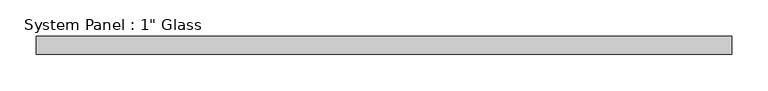
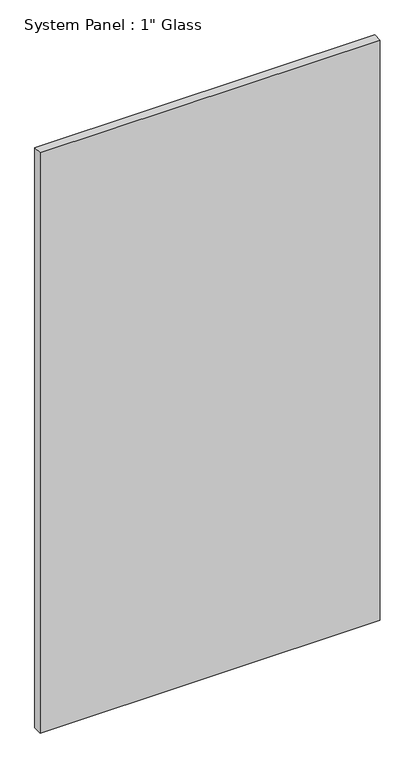
"""IFC4 building model written with IfcOpenShell, lengths in millimetres: plate geometry."""

from ifc_helpers import new_model, si_unit, origin, origin_with_axes, place, context, project, spatial, polyline, outline, extrude, source, transform, mapped, element, save


def plate_24af3e3a(model_context):
    return source(origin(), model_context, "Body", "SweptSolid", [
        extrude(outline(polyline([(482.3538799, -12.7), (-482.3538799, -12.7), (-482.3538799, 12.7), (482.3538799, 12.7), (482.3538799, -12.7)])), origin_with_axes(), (0.0, 0.0, 1.0), 1739.9),
    ])


if __name__ == "__main__":
    model = new_model("IFC4")
    model_context = context("Model", 3, world=origin())
    ifc_project = project(units=[si_unit("LENGTHUNIT", "METRE", prefix="MILLI")], contexts=[model_context])
    site = spatial("IfcSite", under=ifc_project)
    building = spatial("IfcBuilding", under=site)
    placement = place(None, origin())
    plate_shape = plate_24af3e3a(model_context)
    element("IfcPlate", 1, ObjectType="System Panel : 1\" Glass", at=placement, inside=building, context=model_context, shape_type="MappedRepresentation", body=[
        mapped(plate_shape, transform((0.0, 0.0, 0.0), x_axis=(1.0, 0.0, 0.0), y_axis=(0.0, 1.0, 0.0), z_axis=(0.0, 0.0, 1.0))),
    ])
    save(model, "model.ifc")
